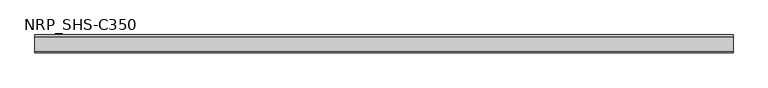
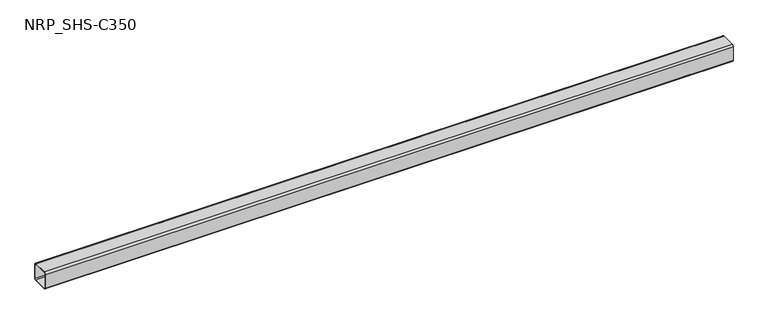
"""IFC4 building model written with IfcOpenShell, lengths in millimetres: member geometry, NRP_SHS-C350."""

from ifc_helpers import new_model, si_unit, point, frame, frame_2d, origin, place, context, project, spatial, polyline, circle_curve, trimmed, segment, composite_curve, outline, extrude, source, transform, mapped, element, save


def nrp_shs_c350_cefb1eea(model_context):
    return source(origin(), model_context, "Body", "SweptSolid", [
        extrude(outline(composite_curve([segment(polyline([(44.5, 35.75), (44.5, -35.75)]), True, "CONTINUOUS"), segment(trimmed(circle_curve(frame_2d((35.75, -35.75)), 8.75), [point((44.5, -35.75))], [point((35.75, -44.5))], False, "CARTESIAN"), True, "CONTINUOUS"), segment(polyline([(35.75, -44.5), (-35.75, -44.5)]), True, "CONTINUOUS"), segment(trimmed(circle_curve(frame_2d((-35.75, -35.75)), 8.75), [point((-35.75, -44.5))], [point((-44.5, -35.75))], False, "CARTESIAN"), True, "CONTINUOUS"), segment(polyline([(-44.5, -35.75), (-44.5, 35.75)]), True, "CONTINUOUS"), segment(trimmed(circle_curve(frame_2d((-35.75, 35.75)), 8.75), [point((-44.5, 35.75))], [point((-35.75, 44.5))], False, "CARTESIAN"), True, "CONTINUOUS"), segment(polyline([(-35.75, 44.5), (35.75, 44.5)]), True, "CONTINUOUS"), segment(trimmed(circle_curve(frame_2d((35.75, 35.75)), 8.75), [point((35.75, 44.5))], [point((44.5, 35.75))], False, "CARTESIAN"), True, "CONTINUOUS")], self_intersect=False), holes=[composite_curve([segment(trimmed(circle_curve(frame_2d((-35.75, 35.75)), 5.25), [point((-35.75, 41.0))], [point((-41.0, 35.75))], True, "CARTESIAN"), True, "CONTINUOUS"), segment(polyline([(-41.0, 35.75), (-41.0, -35.75)]), True, "CONTINUOUS"), segment(trimmed(circle_curve(frame_2d((-35.75, -35.75)), 5.25), [point((-41.0, -35.75))], [point((-35.75, -41.0))], True, "CARTESIAN"), True, "CONTINUOUS"), segment(polyline([(-35.75, -41.0), (35.75, -41.0)]), True, "CONTINUOUS"), segment(trimmed(circle_curve(frame_2d((35.75, -35.75)), 5.25), [point((35.75, -41.0))], [point((41.0, -35.75))], True, "CARTESIAN"), True, "CONTINUOUS"), segment(polyline([(41.0, -35.75), (41.0, 35.75)]), True, "CONTINUOUS"), segment(trimmed(circle_curve(frame_2d((35.75, 35.75)), 5.25), [point((41.0, 35.75))], [point((35.75, 41.0))], True, "CARTESIAN"), True, "CONTINUOUS"), segment(polyline([(35.75, 41.0), (-35.75, 41.0)]), True, "CONTINUOUS")], self_intersect=False)]), frame((-1727.0, 0.0, 0.0), z_axis=(1.0, 0.0, 0.0), x_axis=(0.0, 1.0, 0.0)), (0.0, 0.0, 1.0), 3454.0),
    ])


if __name__ == "__main__":
    model = new_model("IFC4")
    model_context = context("Model", 3, world=origin())
    ifc_project = project(units=[si_unit("LENGTHUNIT", "METRE", prefix="MILLI")], contexts=[model_context])
    site = spatial("IfcSite", under=ifc_project)
    building = spatial("IfcBuilding", under=site)
    placement = place(None, origin())
    nrp_shs_c350_shape = nrp_shs_c350_cefb1eea(model_context)
    element("IfcMember", 1, ObjectType="NRP_SHS-C350", at=placement, inside=building, context=model_context, shape_type="MappedRepresentation", body=[
        mapped(nrp_shs_c350_shape, transform((0.0, 0.0, 0.0), x_axis=(1.0, 0.0, 0.0), y_axis=(0.0, 1.0, 0.0), z_axis=(0.0, 0.0, 1.0))),
    ])
    save(model, "model.ifc")
